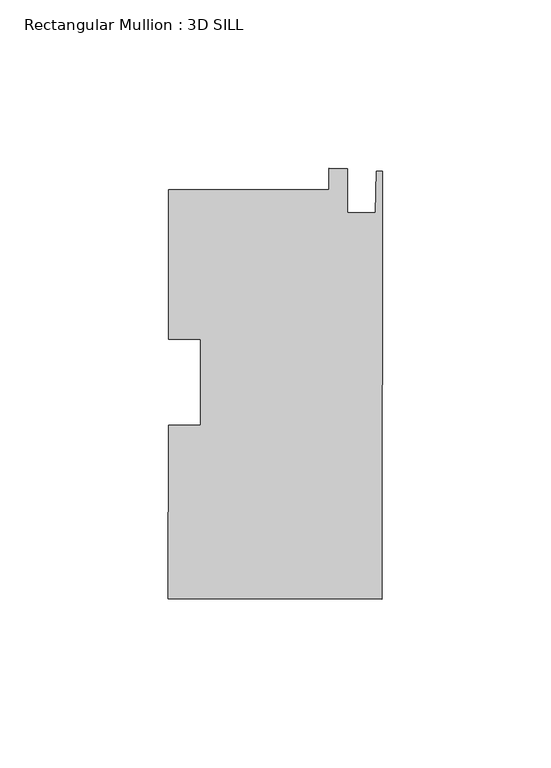
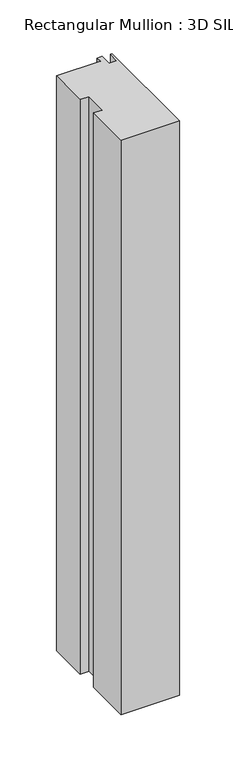
"""IFC4 building model written with IfcOpenShell, lengths in millimetres: member geometry, Rectangular Mullion : 3D SILL."""

from ifc_helpers import new_model, si_unit, frame, origin, place, context, project, spatial, polyline, outline, extrude, source, transform, mapped, element, save


def rectangular_mullion_3d_sill_1af921bc(model_context):
    return source(origin(), model_context, "Body", "SweptSolid", [
        extrude(outline(polyline([(-15.8785297, 57.0944487), (-15.8744967, 63.4444474), (-10.3118978, 63.4409144), (-10.3202382, 50.3091171), (-2.0398398, 50.303858), (-1.7779996, 62.6480942), (0.0, 62.6469649), (-0.0806567, -64.3465324), (-63.5806439, -64.306202), (-63.5479185, -12.7802285), (-54.0229204, -12.7862781), (-54.0067326, 12.7014151), (-63.5317306, 12.7074647), (-63.5035201, 57.1246965), (-15.8785297, 57.0944487)])), frame((0.0, 0.0, -658.9215384), z_axis=(0.0, 0.0, 1.0), x_axis=(1.0, 0.0, 0.0)), (0.0, 0.0, 1.0), 658.9215384),
    ])


if __name__ == "__main__":
    model = new_model("IFC4")
    model_context = context("Model", 3, world=origin())
    ifc_project = project(units=[si_unit("LENGTHUNIT", "METRE", prefix="MILLI")], contexts=[model_context])
    site = spatial("IfcSite", under=ifc_project)
    building = spatial("IfcBuilding", under=site)
    placement = place(None, origin())
    rectangular_mullion_3d_sill_shape = rectangular_mullion_3d_sill_1af921bc(model_context)
    element("IfcMember", 1, ObjectType="Rectangular Mullion : 3D SILL", at=placement, inside=building, context=model_context, shape_type="MappedRepresentation", body=[
        mapped(rectangular_mullion_3d_sill_shape, transform((0.0, 0.0, 0.0), x_axis=(1.0, 0.0, 0.0), y_axis=(0.0, 1.0, 0.0), z_axis=(0.0, 0.0, 1.0))),
    ])
    save(model, "model.ifc")
